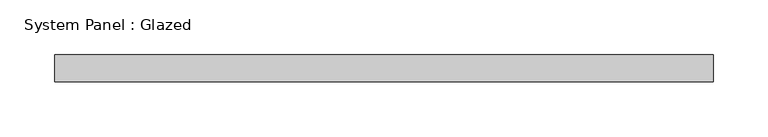
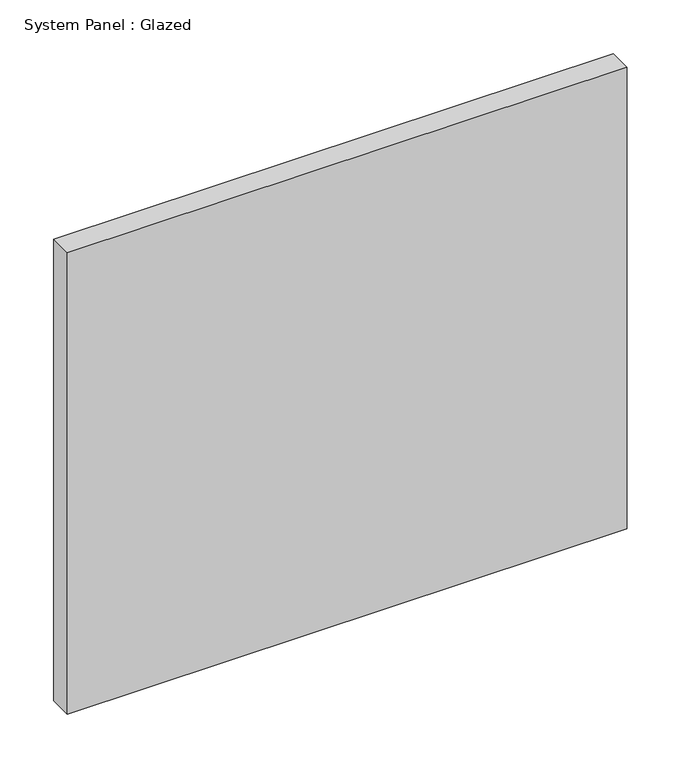
"""IFC4 building model written with IfcOpenShell, lengths in millimetres: plate geometry, System Panel : Glazed."""

from ifc_helpers import new_model, si_unit, origin, origin_with_axes, place, context, project, spatial, polyline, outline, extrude, source, transform, mapped, element, save


def system_panel_glazed_9fe31e68(model_context):
    return source(origin(), model_context, "Body", "SweptSolid", [
        extrude(outline(polyline([(301.25, -49.5), (-301.25, -49.5), (-301.25, -24.5), (301.25, -24.5), (301.25, -49.5)])), origin_with_axes(), (0.0, 0.0, 1.0), 525.0),
    ])


if __name__ == "__main__":
    model = new_model("IFC4")
    model_context = context("Model", 3, world=origin())
    ifc_project = project(units=[si_unit("LENGTHUNIT", "METRE", prefix="MILLI")], contexts=[model_context])
    site = spatial("IfcSite", under=ifc_project)
    building = spatial("IfcBuilding", under=site)
    placement = place(None, origin())
    system_panel_glazed_shape = system_panel_glazed_9fe31e68(model_context)
    element("IfcPlate", 1, ObjectType="System Panel : Glazed", at=placement, inside=building, context=model_context, shape_type="MappedRepresentation", body=[
        mapped(system_panel_glazed_shape, transform((0.0, 0.0, 0.0), x_axis=(1.0, 0.0, 0.0), y_axis=(0.0, 1.0, 0.0), z_axis=(0.0, 0.0, 1.0))),
    ])
    save(model, "model.ifc")
